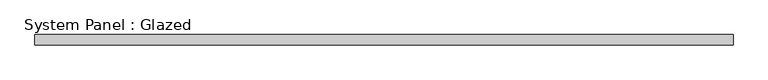
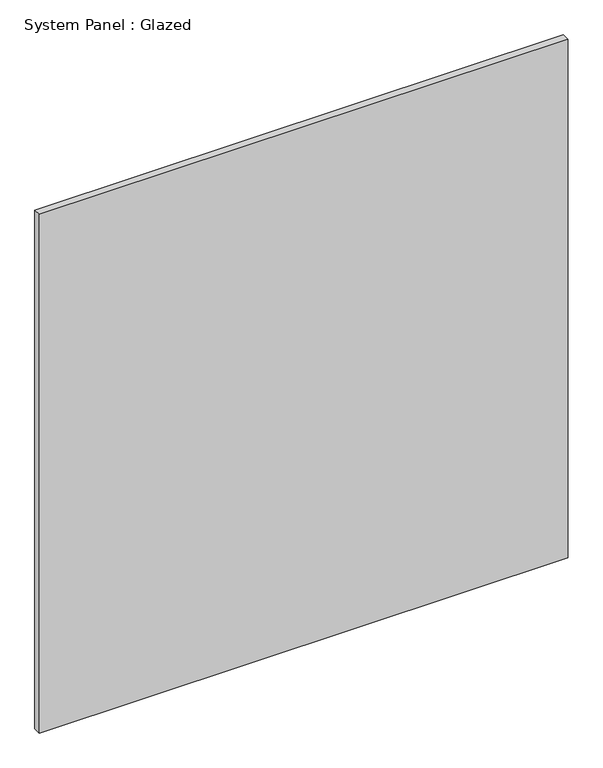
"""IFC4 building model written with IfcOpenShell, lengths in millimetres: plate geometry, System Panel : Glazed."""

from ifc_helpers import new_model, si_unit, origin, origin_with_axes, place, context, project, spatial, polyline, outline, extrude, source, transform, mapped, element, save


def system_panel_glazed_1f931944(model_context):
    return source(origin(), model_context, "Body", "SweptSolid", [
        extrude(outline(polyline([(866.775, 19.05), (-866.775, 19.05), (-866.775, 44.45), (866.775, 44.45), (866.775, 19.05)])), origin_with_axes(), (0.0, 0.0, 1.0), 1797.05),
    ])


if __name__ == "__main__":
    model = new_model("IFC4")
    model_context = context("Model", 3, world=origin())
    ifc_project = project(units=[si_unit("LENGTHUNIT", "METRE", prefix="MILLI")], contexts=[model_context])
    site = spatial("IfcSite", under=ifc_project)
    building = spatial("IfcBuilding", under=site)
    placement = place(None, origin())
    system_panel_glazed_shape = system_panel_glazed_1f931944(model_context)
    element("IfcPlate", 1, ObjectType="System Panel : Glazed", at=placement, inside=building, context=model_context, shape_type="MappedRepresentation", body=[
        mapped(system_panel_glazed_shape, transform((0.0, 0.0, 0.0), x_axis=(1.0, 0.0, 0.0), y_axis=(0.0, 1.0, 0.0), z_axis=(0.0, 0.0, 1.0))),
    ])
    save(model, "model.ifc")
